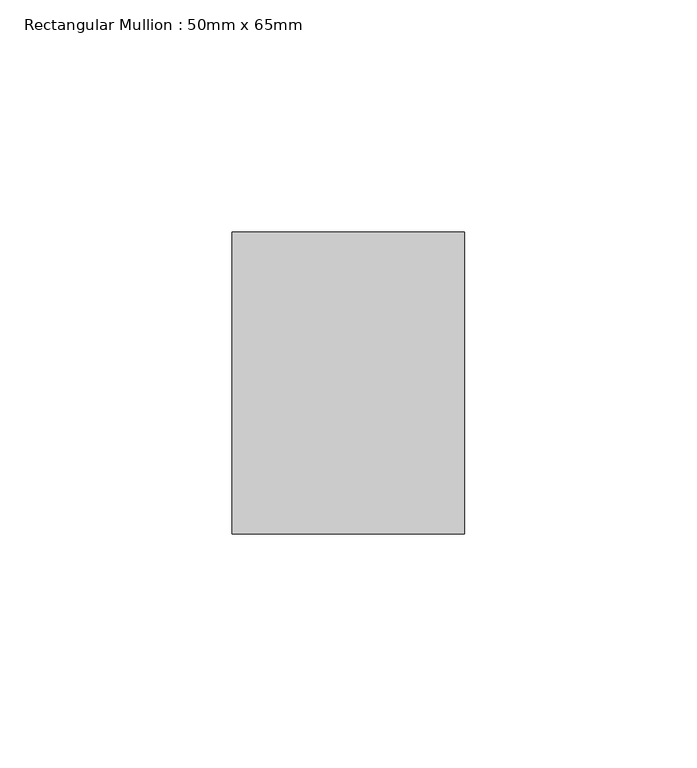
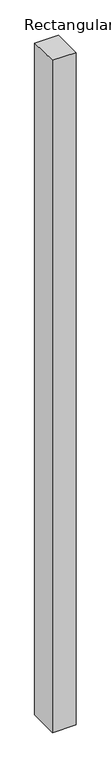
"""IFC4 building model written with IfcOpenShell, lengths in millimetres: member geometry, Rectangular Mullion : 50mm x 65mm."""

from ifc_helpers import new_model, si_unit, origin, place, context, project, spatial, faceted_brep, source, transform, mapped, element, save


def rectangular_mullion_50mm_x_65mm_b42084b0(model_context):
    return source(origin(), model_context, "Body", "Brep", [
        faceted_brep([(-25.0, 32.5, -0.3536693), (25.0, 32.5, -0.3536711), (25.0, 32.5, -1499.5481927), (-25.0, 32.5, -1499.548195), (-25.0, -32.5, 0.3536711), (-25.0, -32.5, -1500.4518242), (25.0, -32.5, 0.3536693), (25.0, -32.5, -1500.4518219)], [[[0, 1, 2, 3]], [[4, 0, 3, 5]], [[6, 4, 5, 7]], [[1, 6, 7, 2]], [[1, 0, 4, 6]], [[2, 7, 5, 3]]]),
    ])


if __name__ == "__main__":
    model = new_model("IFC4")
    model_context = context("Model", 3, world=origin())
    ifc_project = project(units=[si_unit("LENGTHUNIT", "METRE", prefix="MILLI")], contexts=[model_context])
    site = spatial("IfcSite", under=ifc_project)
    building = spatial("IfcBuilding", under=site)
    placement = place(None, origin())
    rectangular_mullion_50mm_x_65mm_shape = rectangular_mullion_50mm_x_65mm_b42084b0(model_context)
    element("IfcMember", 1, ObjectType="Rectangular Mullion : 50mm x 65mm", at=placement, inside=building, context=model_context, shape_type="MappedRepresentation", body=[
        mapped(rectangular_mullion_50mm_x_65mm_shape, transform((0.0, 0.0, 0.0), x_axis=(1.0, 0.0, 0.0), y_axis=(0.0, 1.0, 0.0), z_axis=(0.0, 0.0, 1.0))),
    ])
    save(model, "model.ifc")
